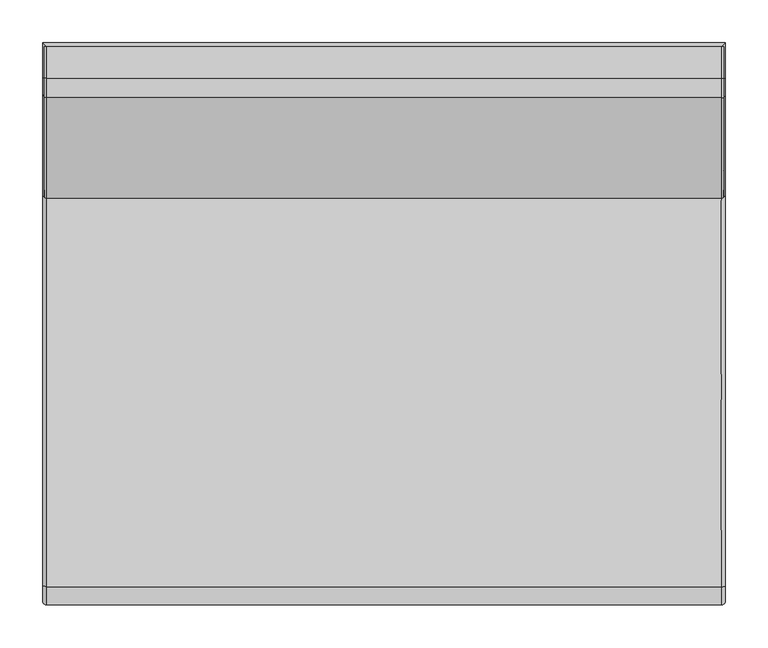
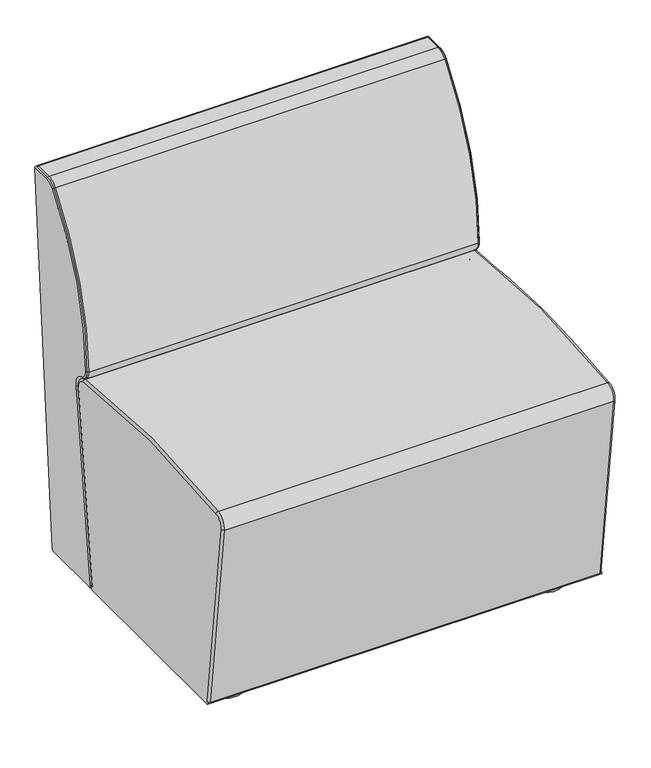
"""IFC4 building model written with IfcOpenShell, lengths in millimetres: furniture geometry."""

from ifc_helpers import new_model, si_unit, point, frame, frame_2d, origin, origin_with_axes, place, context, project, spatial, polyline, circle_curve, ellipse_curve, trimmed, segment, composite_curve, outline, extrude, source, transform, mapped, element, save
from ifc_brep_helpers import plane_surface, cylinder_surface, revolved_surface, advanced_brep


def furniture_58c4aad5(model_context):
    return source(origin(), model_context, "Body", "SolidModel", [
        advanced_brep(
        [(-395.0, 221.524199, 484.6909581), (-395.0, 238.6576062, 460.7221454), (395.0, 238.6576062, 460.7221454), (395.0, 221.524199, 484.6909581), (-398.0, 238.9722245, 461.6713637), (398.0, 238.9722245, 461.6713637), (-398.0, 222.5241535, 484.6814239), (398.0, 222.5241535, 484.6814239), (-398.0, 339.7994218, 808.3627036), (398.0, 339.7994218, 808.3627036), (-395.0, 339.0254308, 808.9959002), (395.0, 339.0254308, 808.9959002), (-398.0, 362.2451605, 819.0000019), (398.0, 362.2451605, 819.0000019), (-398.0, 398.836205, 819.0000019), (398.0, 398.836205, 819.0000019), (-395.0, 398.836205, 820.0000019), (395.0, 398.836205, 820.0000019), (-395.0, 362.2451605, 820.0000019), (395.0, 362.2451605, 820.0000019)],
        [
            (0, 1, circle_curve(frame((-395.0, 246.5230627, 484.4526025), z_axis=(1.0, 0.0, 0.0), x_axis=(0.0, 1.0, 0.0)), 25.0)),
            (1, 2),
            (2, 3, circle_curve(frame((395.0, 246.5230627, 484.4526025), z_axis=(-1.0, 0.0, 0.0), x_axis=(0.0, 1.0, 0.0)), 25.0)),
            (3, 0),
            (1, 4, circle_curve(frame((-395.0, 240.2306975, 465.4682368), z_axis=(0.0, 0.9492182845306808, -0.3146182580725912), x_axis=(0.0, -0.3146182580725912, -0.9492182845306808)), 5.0)),
            (4, 5),
            (5, 2, circle_curve(frame((395.0, 240.2306975, 465.4682368), z_axis=(0.0, 0.9492182845306857, -0.31461825807257626), x_axis=(0.0, -0.31461825807257626, -0.9492182845306857)), 5.0)),
            (4, 6, circle_curve(frame((-398.0, 246.5230627, 484.4526025), z_axis=(-1.0, 0.0, 0.0), x_axis=(0.0, 1.0, 0.0)), 24.0)),
            (6, 7),
            (7, 5, circle_curve(frame((398.0, 246.5230627, 484.4526025), z_axis=(1.0, 0.0, 0.0), x_axis=(0.0, 1.0, 0.0)), 24.0)),
            (6, 8, circle_curve(frame((-398.0, 741.5013672, 479.7331542), z_axis=(-1.0, 0.0, 0.0), x_axis=(0.0, -1.0, 0.0)), 519.0008031)),
            (8, 9),
            (9, 7, circle_curve(frame((398.0, 741.5013672, 479.7331542), z_axis=(1.0, 0.0, 0.0), x_axis=(0.0, -1.0, 0.0)), 519.0008031)),
            (10, 0, circle_curve(frame((-395.0, 741.5013672, 479.7331542), z_axis=(1.0, 0.0, 0.0), x_axis=(0.0, -1.0, 0.0)), 520.0008031)),
            (3, 11, circle_curve(frame((395.0, 741.5013672, 479.7331542), z_axis=(-1.0, 0.0, 0.0), x_axis=(0.0, -1.0, 0.0)), 520.0008031)),
            (11, 10),
            (8, 12, circle_curve(frame((-398.0, 362.2451605, 790.0000019), z_axis=(-1.0, 0.0, 0.0), x_axis=(0.0, -1.0, 0.0)), 29.0)),
            (12, 13),
            (13, 9, circle_curve(frame((398.0, 362.2451605, 790.0000019), z_axis=(1.0, 0.0, 0.0), x_axis=(0.0, -1.0, 0.0)), 29.0)),
            (12, 14),
            (14, 15),
            (15, 13),
            (14, 16, circle_curve(frame((-395.0, 398.836205, 815.0000019), z_axis=(0.0, 1.0, 0.0), x_axis=(0.0, 0.0, 1.0)), 5.0)),
            (16, 17),
            (17, 15, circle_curve(frame((395.0, 398.836205, 815.0000019), z_axis=(0.0, 1.0, 0.0), x_axis=(0.0, 0.0, 1.0)), 5.0)),
            (16, 18),
            (18, 19),
            (19, 17),
            (18, 10, circle_curve(frame((-395.0, 362.2451605, 790.0000019), z_axis=(1.0, 0.0, 0.0), x_axis=(0.0, -1.0, 0.0)), 30.0)),
            (11, 19, circle_curve(frame((395.0, 362.2451605, 790.0000019), z_axis=(-1.0, 0.0, 0.0), x_axis=(0.0, -1.0, 0.0)), 30.0)),
            (0, 6, circle_curve(frame((-395.0, 226.5239717, 484.643287), z_axis=(0.0, -0.009534223590470237, -0.9999545482573331), x_axis=(0.0, -0.9999545482573331, 0.009534223590470237)), 5.0)),
            (10, 8, circle_curve(frame((-395.0, 342.8953858, 805.8299171), z_axis=(0.0, -0.6331966105556623, -0.7739909898576474), x_axis=(0.0, -0.7739909898576474, 0.6331966105556623)), 5.0)),
            (18, 12, circle_curve(frame((-395.0, 362.2451605, 815.0000019), z_axis=(0.0, -1.0, 0.0), x_axis=(0.0, 0.0, 1.0)), 5.0)),
            (19, 13, circle_curve(frame((395.0, 362.2451605, 815.0000019), z_axis=(0.0, 1.0, 0.0), x_axis=(0.0, 0.0, 1.0)), 5.0)),
            (11, 9, circle_curve(frame((395.0, 342.8953858, 805.8299171), z_axis=(0.0, 0.6331966105558378, 0.7739909898575039), x_axis=(0.0, -0.7739909898575039, 0.6331966105558378)), 5.0)),
            (3, 7, circle_curve(frame((395.0, 226.5239717, 484.643287), z_axis=(0.0, 0.009534223590352664, 0.999954548257334), x_axis=(0.0, -0.999954548257334, 0.009534223590352664)), 5.0)),
        ],
        [
            cylinder_surface(frame((-400.0, 246.5230627, 484.4526025), z_axis=(1.0, 0.0, 0.0), x_axis=(0.0, 1.0, 0.0)), 25.0),
            plane_surface(frame((400.0, 238.6576062, 460.7221454), z_axis=(0.0, 0.9492182845306205, -0.31461825807277327), x_axis=(-1.0, 0.0, 0.0))),
            revolved_surface(polyline([(-398.0, 270.52306269999997, 484.4526025), (398.0, 270.52306269999997, 484.4526025)]), (-400.0, 246.5230627, 484.4526025), (-1.0, 0.0, 0.0)),
            revolved_surface(polyline([(-398.0, 222.50056410000002, 479.7331542), (398.0, 222.50056410000002, 479.7331542)]), (-400.0, 741.5013672, 479.7331542), (-1.0, 0.0, 0.0)),
            cylinder_surface(frame((-400.0, 741.5013672, 479.7331542), z_axis=(1.0, 0.0, 0.0), x_axis=(0.0, -1.0, 0.0)), 520.0008031),
            revolved_surface(polyline([(-398.0, 333.2451605, 790.0000019), (398.0, 333.2451605, 790.0000019)]), (-400.0, 362.2451605, 790.0000019), (-1.0, 0.0, 0.0)),
            plane_surface(frame((400.0, 362.2451605, 819.0000019), z_axis=(0.0, 0.0, -1.0), x_axis=(-1.0, 0.0, 0.0))),
            plane_surface(frame((400.0, 398.836205, 819.0000019), z_axis=(0.0, 1.0, 0.0), x_axis=(-1.0, 0.0, 0.0))),
            plane_surface(frame((400.0, 398.836205, 820.0000019), z_axis=(0.0, 0.0, 1.0), x_axis=(-1.0, 0.0, 0.0))),
            cylinder_surface(frame((-400.0, 362.2451605, 790.0000019), z_axis=(1.0, 0.0, 0.0), x_axis=(0.0, -1.0, 0.0)), 30.0),
            revolved_surface(trimmed(ellipse_curve(frame((-395.0, 240.2306975, 465.4682368), z_axis=(0.0, 0.9492182845306808, -0.3146182580725912), x_axis=(0.0, -0.3146182580725912, -0.9492182845306808)), 5.0, 5.0), [point((-395.0, 238.6576062, 460.7221454))], [point((-400.0, 240.2306975, 465.4682368))], True, "CARTESIAN"), (-400.0, 246.5230627, 484.4526025), (-1.0, 0.0, 0.0)),
            revolved_surface(trimmed(ellipse_curve(frame((-395.0, 226.5239717, 484.643287), z_axis=(0.0, -0.009534223590352497, -0.9999545482573341), x_axis=(0.0, -0.9999545482573341, 0.009534223590352497)), 5.0, 5.0), [point((-395.0, 221.524199, 484.6909581))], [point((-400.0, 226.5239717, 484.643287))], True, "CARTESIAN"), (-400.0, 741.5013672, 479.7331542), (-1.0, 0.0, 0.0)),
            revolved_surface(trimmed(ellipse_curve(frame((-395.0, 342.8953858, 805.8299171), z_axis=(0.0, -0.6331966105557443, -0.7739909898575804), x_axis=(0.0, -0.7739909898575804, 0.6331966105557443)), 5.0, 5.0), [point((-395.0, 339.0254308, 808.9959002))], [point((-400.0, 342.8953858, 805.8299171))], True, "CARTESIAN"), (-400.0, 362.2451605, 790.0000019), (-1.0, 0.0, 0.0)),
            cylinder_surface(frame((-395.0, 362.2451605, 815.0000019), z_axis=(0.0, 1.0, 0.0), x_axis=(0.0, 0.0, 1.0)), 5.0),
            cylinder_surface(frame((395.0, 407.2451605, 815.0000019), z_axis=(0.0, -1.0, 0.0), x_axis=(0.0, 0.0, 1.0)), 5.0),
            revolved_surface(trimmed(ellipse_curve(frame((395.0, 362.2451605, 815.0000019), z_axis=(0.0, 1.0, 0.0), x_axis=(0.0, 0.0, 1.0)), 5.0, 5.0), [point((395.0, 362.2451605, 820.0000019))], [point((400.0, 362.2451605, 815.0000019))], True, "CARTESIAN"), (400.0, 362.2451605, 790.0000019), (1.0, 0.0, 0.0)),
            revolved_surface(trimmed(ellipse_curve(frame((395.0, 342.8953858, 805.8299171), z_axis=(0.0, 0.6331966105556678, 0.7739909898576429), x_axis=(0.0, -0.7739909898576429, 0.6331966105556678)), 5.0, 5.0), [point((395.0, 339.0254308, 808.9959002))], [point((400.0, 342.8953858, 805.8299171))], True, "CARTESIAN"), (400.0, 741.5013672, 479.7331542), (1.0, 0.0, 0.0)),
            revolved_surface(trimmed(ellipse_curve(frame((395.0, 226.5239717, 484.643287), z_axis=(0.0, 0.00953422359047229, 0.999954548257333), x_axis=(0.0, -0.999954548257333, 0.00953422359047229)), 5.0, 5.0), [point((395.0, 221.524199, 484.6909581))], [point((400.0, 226.5239717, 484.643287))], True, "CARTESIAN"), (400.0, 246.5230627, 484.4526025), (1.0, 0.0, 0.0)),
        ],
        [
            (0, [[1, 2, 3, 4]]),
            (1, [[5, 6, 7, -2]]),
            (2, [[8, 9, 10, -6]]),
            (3, [[11, 12, 13, -9]]),
            (4, [[14, -4, 15, 16]]),
            (5, [[17, 18, 19, -12]]),
            (6, [[20, 21, 22, -18]]),
            (7, [[23, 24, 25, -21]]),
            (8, [[26, 27, 28, -24]]),
            (9, [[29, -16, 30, -27]]),
            (10, [[31, -8, -5, -1]]),
            (11, [[-31, -14, 32, -11]]),
            (12, [[-32, -29, 33, -17]]),
            (13, [[-33, -26, -23, -20]]),
            (14, [[34, -22, -25, -28]]),
            (15, [[35, -19, -34, -30]]),
            (16, [[36, -13, -35, -15]]),
            (17, [[-36, -3, -7, -10]]),
        ],
    ),
        advanced_brep(
        [(400.0, 342.4334712, 34.6077039), (400.0, 403.8207917, 814.6077065), (400.0, 403.836205, 815.0000019), (400.0, 362.2451605, 815.0000019), (400.0, 342.8953858, 805.8299171), (400.0, 226.5239717, 484.643287), (400.0, 240.2306975, 465.4682368), (400.0, 260.5669798, 433.3229695), (400.0, 211.4874395, 34.9999993), (400.0, 206.5249679, 35.6114525), (400.0, 211.4874395, 29.9999993), (400.0, 337.4488846, 29.9999993), (-400.0, 342.4334712, 34.6077039), (-400.0, 337.4488846, 29.9999993), (-400.0, 211.4874395, 29.9999993), (-400.0, 206.5249679, 35.6114525), (-400.0, 211.4874395, 34.9999993), (-400.0, 260.5669798, 433.3229695), (-400.0, 240.2306975, 465.4682368), (-400.0, 226.5239717, 484.643287), (-400.0, 342.8953858, 805.8299171), (-400.0, 362.2451605, 815.0000019), (-400.0, 403.836205, 815.0000019), (-400.0, 403.8207917, 814.6077065), (-395.0, 398.836205, 820.0000019), (395.0, 398.836205, 820.0000019), (-395.0, 238.6576062, 460.7221454), (-395.0, 255.6045081, 433.9344226), (395.0, 255.6045081, 433.9344226), (395.0, 238.6576062, 460.7221454), (-395.0, 206.5249679, 35.6114525), (395.0, 206.5249679, 35.6114525), (-398.0, 398.836205, 819.0000019), (398.0, 398.836205, 819.0000019), (-398.0, 362.2451605, 819.0000019), (398.0, 362.2451605, 819.0000019), (-398.0, 339.7994218, 808.3627036), (398.0, 339.7994218, 808.3627036), (-398.0, 222.5241535, 484.6814239), (398.0, 222.5241535, 484.6814239), (-398.0, 238.9722245, 461.6713637), (398.0, 238.9722245, 461.6713637)],
        [
            (0, 1),
            (1, 2, circle_curve(frame((400.0, 398.836205, 815.0000019), z_axis=(1.0, 0.0, 0.0), x_axis=(0.0, -1.0, 0.0)), 5.0)),
            (2, 3),
            (3, 4, circle_curve(frame((400.0, 362.2451605, 790.0000019), z_axis=(1.0, 0.0, 0.0), x_axis=(0.0, 0.0, 1.0)), 25.0)),
            (4, 5, circle_curve(frame((400.0, 741.5013672, 479.7331542), z_axis=(1.0, 0.0, 0.0), x_axis=(0.0, -0.7739909898576431, 0.6331966105556676)), 515.0008031)),
            (5, 6, circle_curve(frame((400.0, 246.5230627, 484.4526025), z_axis=(1.0, 0.0, 0.0), x_axis=(0.0, -0.999954548257333, 0.009534223590471985)), 20.0)),
            (6, 7, circle_curve(frame((400.0, 230.7921498, 436.9916883), z_axis=(-1.0, 0.0, 0.0), x_axis=(0.0, 0.3146182580725262, 0.9492182845307023)), 30.0)),
            (7, 8),
            (8, 9),
            (9, 10, circle_curve(frame((400.0, 211.4874395, 34.9999993), z_axis=(1.0, 0.0, 0.0), x_axis=(0.0, -1.0, 0.0)), 5.0)),
            (10, 11),
            (11, 0, circle_curve(frame((400.0, 337.4488846, 34.9999993), z_axis=(1.0, 0.0, 0.0), x_axis=(0.0, -1.0, 0.0)), 5.0)),
            (12, 13, circle_curve(frame((-400.0, 337.4488846, 34.9999993), z_axis=(-1.0, 0.0, 0.0), x_axis=(0.0, -1.0, 0.0)), 5.0)),
            (13, 14),
            (14, 15, circle_curve(frame((-400.0, 211.4874395, 34.9999993), z_axis=(-1.0, 0.0, 0.0), x_axis=(0.0, -1.0, 0.0)), 5.0)),
            (15, 16),
            (16, 17),
            (17, 18, circle_curve(frame((-400.0, 230.7921498, 436.9916883), z_axis=(1.0, 0.0, 0.0), x_axis=(0.0, 0.9924943338041959, -0.12229062665047293)), 30.0)),
            (18, 19, circle_curve(frame((-400.0, 246.5230627, 484.4526025), z_axis=(-1.0, 0.0, 0.0), x_axis=(0.0, -0.31461825807259114, -0.9492182845306808)), 20.0)),
            (19, 20, circle_curve(frame((-400.0, 741.5013672, 479.7331542), z_axis=(-1.0, 0.0, 0.0), x_axis=(0.0, -0.9999545482573341, 0.009534223590352409)), 515.0008031)),
            (20, 21, circle_curve(frame((-400.0, 362.2451605, 790.0000019), z_axis=(-1.0, 0.0, 0.0), x_axis=(0.0, -0.7739909898575803, 0.6331966105557444)), 25.0)),
            (21, 22),
            (22, 23, circle_curve(frame((-400.0, 398.836205, 815.0000019), z_axis=(-1.0, 0.0, 0.0), x_axis=(0.0, -1.0, 0.0)), 5.0)),
            (23, 12),
            (0, 12),
            (23, 1),
            (22, 24, ellipse_curve(frame((-395.0, 398.836205, 815.0000019), z_axis=(0.7071067811865475, 0.7071067811865475, 0.0), x_axis=(0.7071067811865476, -0.7071067811865474, 0.0)), 7.0710678, 5.0)),
            (24, 25),
            (25, 2, ellipse_curve(frame((395.0, 398.836205, 815.0000019), z_axis=(-0.7071067811865475, 0.7071067811865475, 0.0), x_axis=(0.7071067811865476, 0.7071067811865474, 0.0)), 7.0710678, 5.0)),
            (26, 27, circle_curve(frame((-395.0, 230.7921498, 436.9916883), z_axis=(-1.0, 0.0, 0.0), x_axis=(0.0, -1.0, 0.0)), 25.0)),
            (27, 28),
            (28, 29, circle_curve(frame((395.0, 230.7921498, 436.9916883), z_axis=(1.0, 0.0, 0.0), x_axis=(0.0, -1.0, 0.0)), 25.0)),
            (29, 26),
            (27, 30),
            (30, 31),
            (31, 28),
            (9, 31),
            (30, 15),
            (14, 10),
            (13, 11),
            (24, 32, circle_curve(frame((-395.0, 398.836205, 815.0000019), z_axis=(0.0, -1.0, 0.0), x_axis=(0.0, 0.0, 1.0)), 5.0)),
            (32, 33),
            (33, 25, circle_curve(frame((395.0, 398.836205, 815.0000019), z_axis=(0.0, -1.0, 0.0), x_axis=(0.0, 0.0, 1.0)), 5.0)),
            (32, 34),
            (34, 35),
            (35, 33),
            (34, 36, circle_curve(frame((-398.0, 362.2451605, 790.0000019), z_axis=(1.0, 0.0, 0.0), x_axis=(0.0, -1.0, 0.0)), 29.0)),
            (36, 37),
            (37, 35, circle_curve(frame((398.0, 362.2451605, 790.0000019), z_axis=(-1.0, 0.0, 0.0), x_axis=(0.0, -1.0, 0.0)), 29.0)),
            (36, 38, circle_curve(frame((-398.0, 741.5013672, 479.7331542), z_axis=(1.0, 0.0, 0.0), x_axis=(0.0, -1.0, 0.0)), 519.0008031)),
            (38, 39),
            (39, 37, circle_curve(frame((398.0, 741.5013672, 479.7331542), z_axis=(-1.0, 0.0, 0.0), x_axis=(0.0, -1.0, 0.0)), 519.0008031)),
            (38, 40, circle_curve(frame((-398.0, 246.5230627, 484.4526025), z_axis=(1.0, 0.0, 0.0), x_axis=(0.0, 1.0, 0.0)), 24.0)),
            (40, 41),
            (41, 39, circle_curve(frame((398.0, 246.5230627, 484.4526025), z_axis=(-1.0, 0.0, 0.0), x_axis=(0.0, 1.0, 0.0)), 24.0)),
            (40, 26, circle_curve(frame((-395.0, 240.2306975, 465.4682368), z_axis=(0.0, -0.949218284530701, 0.31461825807253), x_axis=(0.0, -0.31461825807253, -0.949218284530701)), 5.0)),
            (29, 41, circle_curve(frame((395.0, 240.2306975, 465.4682368), z_axis=(0.0, -0.9492182845307022, 0.31461825807252664), x_axis=(0.0, -0.31461825807252664, -0.9492182845307022)), 5.0)),
            (30, 16, circle_curve(frame((-395.0, 211.4874395, 34.9999993), z_axis=(0.0, -0.12229062665048503, -0.9924943338041944), x_axis=(0.0, -0.9924943338041944, 0.12229062665048503)), 5.0)),
            (27, 17, circle_curve(frame((-395.0, 260.5669798, 433.3229695), z_axis=(0.0, -0.12229062665048503, -0.9924943338041944), x_axis=(0.0, -0.9924943338041944, 0.12229062665048503)), 5.0)),
            (40, 18, circle_curve(frame((-395.0, 240.2306975, 465.4682368), z_axis=(0.0, 0.949218284530701, -0.31461825807253), x_axis=(0.0, -0.31461825807253, -0.949218284530701)), 5.0)),
            (38, 19, circle_curve(frame((-395.0, 226.5239717, 484.643287), z_axis=(0.0, -0.009534223590481783, -0.999954548257333), x_axis=(0.0, -0.999954548257333, 0.009534223590481783)), 5.0)),
            (36, 20, circle_curve(frame((-395.0, 342.8953858, 805.8299171), z_axis=(0.0, -0.6331966105556722, -0.7739909898576393), x_axis=(0.0, -0.7739909898576393, 0.6331966105556722)), 5.0)),
            (34, 21, circle_curve(frame((-395.0, 362.2451605, 815.0000019), z_axis=(0.0, -1.0, 0.0), x_axis=(0.0, 0.0, 1.0)), 5.0)),
            (35, 3, circle_curve(frame((395.0, 362.2451605, 815.0000019), z_axis=(0.0, 1.0, 0.0), x_axis=(0.0, 0.0, 1.0)), 5.0)),
            (37, 4, circle_curve(frame((395.0, 342.8953858, 805.8299171), z_axis=(0.0, 0.6331966105559279, 0.7739909898574301), x_axis=(0.0, -0.7739909898574301, 0.6331966105559279)), 5.0)),
            (39, 5, circle_curve(frame((395.0, 226.5239717, 484.643287), z_axis=(0.0, 0.009534223590352942, 0.9999545482573342), x_axis=(0.0, -0.9999545482573342, 0.009534223590352942)), 5.0)),
            (41, 6, circle_curve(frame((395.0, 240.2306975, 465.4682368), z_axis=(0.0, -0.949218284530679, 0.3146182580725963), x_axis=(0.0, -0.3146182580725963, -0.949218284530679)), 5.0)),
            (28, 7, circle_curve(frame((395.0, 260.5669798, 433.3229695), z_axis=(0.0, 0.12229062665048127, 0.9924943338041949), x_axis=(0.0, -0.9924943338041949, 0.12229062665048127)), 5.0)),
            (8, 31, circle_curve(frame((395.0, 211.4874395, 34.9999993), z_axis=(0.0, -0.12229062665048539, -0.9924943338041944), x_axis=(0.0, -0.9924943338041944, 0.12229062665048539)), 5.0)),
        ],
        [
            plane_surface(frame((400.0, 403.820794, 814.6077357), z_axis=(1.0, 0.0, 0.0), x_axis=(0.0, 0.07845908166168687, 0.9969173348401585))),
            plane_surface(frame((-400.0, 403.820794, 814.6077357), z_axis=(-1.0, 0.0, 0.0), x_axis=(0.0, -0.07845908166168687, -0.9969173348401585))),
            plane_surface(frame((400.0, 342.4334712, 34.6077039), z_axis=(0.0, 0.9969173348401585, -0.07845908166168687), x_axis=(-1.0, 0.0, 0.0))),
            cylinder_surface(frame((-400.0, 398.836205, 815.0000019), z_axis=(1.0, 0.0, 0.0), x_axis=(0.0, -1.0, 0.0)), 5.0),
            revolved_surface(polyline([(-395.0, 205.7921498, 436.9916883), (395.0, 205.7921498, 436.9916883)]), (-400.0, 230.7921498, 436.9916883), (-1.0, 0.0, 0.0)),
            plane_surface(frame((400.0, 255.6045081, 433.9344226), z_axis=(0.0, -0.9924943338041945, 0.12229062665048508), x_axis=(-1.0, 0.0, 0.0))),
            cylinder_surface(frame((-400.0, 211.4874395, 34.9999993), z_axis=(1.0, 0.0, 0.0), x_axis=(0.0, -1.0, 0.0)), 5.0),
            plane_surface(frame((400.0, 211.4874395, 29.9999993), z_axis=(0.0, 0.0, -1.0), x_axis=(-1.0, 0.0, 0.0))),
            cylinder_surface(frame((-400.0, 337.4488846, 34.9999993), z_axis=(1.0, 0.0, 0.0), x_axis=(0.0, -1.0, 0.0)), 5.0),
            plane_surface(frame((400.0, 398.836205, 820.0000019), z_axis=(0.0, -1.0, 0.0), x_axis=(-1.0, 0.0, 0.0))),
            plane_surface(frame((400.0, 398.836205, 819.0000019), z_axis=(0.0, 0.0, 1.0), x_axis=(-1.0, 0.0, 0.0))),
            cylinder_surface(frame((-400.0, 362.2451605, 790.0000019), z_axis=(1.0, 0.0, 0.0), x_axis=(0.0, -1.0, 0.0)), 29.0),
            cylinder_surface(frame((-400.0, 741.5013672, 479.7331542), z_axis=(1.0, 0.0, 0.0), x_axis=(0.0, -1.0, 0.0)), 519.0008031),
            cylinder_surface(frame((-400.0, 246.5230627, 484.4526025), z_axis=(1.0, 0.0, 0.0), x_axis=(0.0, 1.0, 0.0)), 24.0),
            plane_surface(frame((400.0, 238.9722245, 461.6713637), z_axis=(0.0, -0.9492182845306811, 0.3146182580725903), x_axis=(-1.0, 0.0, 0.0))),
            plane_surface(frame((-400.0, 206.5249679, 35.6114525), z_axis=(0.0, 0.12229062665048503, 0.9924943338041944), x_axis=(-1.0, 0.0, 0.0))),
            cylinder_surface(frame((-395.0, 211.4874395, 34.9999993), z_axis=(0.0, 0.12229062665048503, 0.9924943338041944), x_axis=(0.0, -0.9924943338041944, 0.12229062665048503)), 5.0),
            revolved_surface(trimmed(ellipse_curve(frame((-395.0, 260.5669798, 433.3229695), z_axis=(0.0, -0.12229062665047293, -0.9924943338041959), x_axis=(0.0, -0.9924943338041959, 0.12229062665047293)), 5.0, 5.0), [point((-395.0, 255.6045081, 433.9344226))], [point((-400.0, 260.5669798, 433.3229695))], True, "CARTESIAN"), (-400.0, 230.7921498, 436.9916883), (1.0, 0.0, 0.0)),
            revolved_surface(trimmed(ellipse_curve(frame((-395.0, 240.2306975, 465.4682368), z_axis=(0.0, 0.9492182845306808, -0.3146182580725912), x_axis=(0.0, -0.3146182580725912, -0.9492182845306808)), 5.0, 5.0), [point((-395.0, 238.6576062, 460.7221454))], [point((-400.0, 240.2306975, 465.4682368))], True, "CARTESIAN"), (-400.0, 246.5230627, 484.4526025), (-1.0, 0.0, 0.0)),
            revolved_surface(trimmed(ellipse_curve(frame((-395.0, 226.5239717, 484.643287), z_axis=(0.0, -0.009534223590352497, -0.9999545482573341), x_axis=(0.0, -0.9999545482573341, 0.009534223590352497)), 5.0, 5.0), [point((-395.0, 221.524199, 484.6909581))], [point((-400.0, 226.5239717, 484.643287))], True, "CARTESIAN"), (-400.0, 741.5013672, 479.7331542), (-1.0, 0.0, 0.0)),
            revolved_surface(trimmed(ellipse_curve(frame((-395.0, 342.8953858, 805.8299171), z_axis=(0.0, -0.6331966105557443, -0.7739909898575804), x_axis=(0.0, -0.7739909898575804, 0.6331966105557443)), 5.0, 5.0), [point((-395.0, 339.0254308, 808.9959002))], [point((-400.0, 342.8953858, 805.8299171))], True, "CARTESIAN"), (-400.0, 362.2451605, 790.0000019), (-1.0, 0.0, 0.0)),
            cylinder_surface(frame((-395.0, 362.2451605, 815.0000019), z_axis=(0.0, 1.0, 0.0), x_axis=(0.0, 0.0, 1.0)), 5.0),
            cylinder_surface(frame((395.0, 407.2451605, 815.0000019), z_axis=(0.0, -1.0, 0.0), x_axis=(0.0, 0.0, 1.0)), 5.0),
            revolved_surface(trimmed(ellipse_curve(frame((395.0, 362.2451605, 815.0000019), z_axis=(0.0, 1.0, 0.0), x_axis=(0.0, 0.0, 1.0)), 5.0, 5.0), [point((395.0, 362.2451605, 820.0000019))], [point((400.0, 362.2451605, 815.0000019))], True, "CARTESIAN"), (400.0, 362.2451605, 790.0000019), (1.0, 0.0, 0.0)),
            revolved_surface(trimmed(ellipse_curve(frame((395.0, 342.8953858, 805.8299171), z_axis=(0.0, 0.6331966105556678, 0.7739909898576429), x_axis=(0.0, -0.7739909898576429, 0.6331966105556678)), 5.0, 5.0), [point((395.0, 339.0254308, 808.9959002))], [point((400.0, 342.8953858, 805.8299171))], True, "CARTESIAN"), (400.0, 741.5013672, 479.7331542), (1.0, 0.0, 0.0)),
            revolved_surface(trimmed(ellipse_curve(frame((395.0, 226.5239717, 484.643287), z_axis=(0.0, 0.00953422359047229, 0.999954548257333), x_axis=(0.0, -0.999954548257333, 0.00953422359047229)), 5.0, 5.0), [point((395.0, 221.524199, 484.6909581))], [point((400.0, 226.5239717, 484.643287))], True, "CARTESIAN"), (400.0, 246.5230627, 484.4526025), (1.0, 0.0, 0.0)),
            revolved_surface(trimmed(ellipse_curve(frame((395.0, 240.2306975, 465.4682368), z_axis=(0.0, -0.9492182845307022, 0.31461825807252664), x_axis=(0.0, -0.31461825807252664, -0.9492182845307022)), 5.0, 5.0), [point((395.0, 238.6576062, 460.7221454))], [point((400.0, 240.2306975, 465.4682368))], True, "CARTESIAN"), (400.0, 230.7921498, 436.9916883), (-1.0, 0.0, 0.0)),
            plane_surface(frame((400.0, 206.5249679, 35.6114525), z_axis=(0.0, 0.12229062665048503, 0.9924943338041944), x_axis=(1.0, 0.0, 0.0))),
            cylinder_surface(frame((395.0, 260.5669798, 433.3229695), z_axis=(0.0, -0.12229062665048539, -0.9924943338041944), x_axis=(0.0, -0.9924943338041944, 0.12229062665048539)), 5.0),
        ],
        [
            (0, [[1, 2, 3, 4, 5, 6, 7, 8, 9, 10, 11, 12]]),
            (1, [[13, 14, 15, 16, 17, 18, 19, 20, 21, 22, 23, 24]]),
            (2, [[-1, 25, -24, 26]]),
            (3, [[-26, -23, 27, 28, 29, -2]]),
            (4, [[30, 31, 32, 33]]),
            (5, [[34, 35, 36, -31]]),
            (6, [[-10, 37, -35, 38, -15, 39]]),
            (7, [[-11, -39, -14, 40]]),
            (8, [[-12, -40, -13, -25]]),
            (9, [[41, 42, 43, -28]]),
            (10, [[44, 45, 46, -42]]),
            (11, [[47, 48, 49, -45]]),
            (12, [[50, 51, 52, -48]]),
            (13, [[53, 54, 55, -51]]),
            (14, [[56, -33, 57, -54]]),
            (15, [[58, -16, -38]]),
            (16, [[-58, -34, 59, -17]]),
            (17, [[-59, -30, -56, 60, -18]]),
            (18, [[61, -19, -60, -53]]),
            (19, [[62, -20, -61, -50]]),
            (20, [[63, -21, -62, -47]]),
            (21, [[-63, -44, -41, -27, -22]]),
            (22, [[64, -3, -29, -43, -46]]),
            (23, [[-64, -49, 65, -4]]),
            (24, [[-65, -52, 66, -5]]),
            (25, [[-66, -55, 67, -6]]),
            (26, [[68, -7, -67, -57, -32]]),
            (27, [[69, -37, -9]]),
            (28, [[-68, -36, -69, -8]]),
        ],
    ),
        advanced_brep(
        [(-400.0, 206.3750828, 34.3906528), (-400.0, 201.412352, 29.9999993), (-400.0, -200.5276094, 29.9999993), (-400.0, -206.4828863, 35.2687832), (-400.0, -201.5201556, 35.87813), (-400.0, -250.4781915, 434.6093051), (-400.0, -233.3810316, 456.8562047), (-400.0, 233.3810317, 456.8562047), (-400.0, 250.4781882, 434.6093065), (-400.0, 201.412352, 34.9999993), (400.0, -206.4828863, 35.2687832), (400.0, -200.5276094, 29.9999993), (400.0, 201.412352, 29.9999993), (400.0, 206.3750828, 34.3906528), (400.0, 201.412352, 34.9999993), (400.0, 250.4781882, 434.6093065), (400.0, 233.3810317, 456.8562047), (400.0, -233.3810318, 456.8562058), (400.0, -250.4781881, 434.6093055), (400.0, -201.5201556, 35.87813), (-395.0, 206.3750828, 34.3906528), (-395.0, 255.440919, 433.99996), (395.0, 255.440919, 433.99996), (395.0, 206.3750828, 34.3906528), (-395.0, 234.0694734, 461.8085827), (395.0, 234.0694734, 461.8085827), (-395.0, -234.0694734, 461.8085838), (395.0, -234.0694734, 461.8085838), (-395.0, -255.4409188, 433.9999588), (395.0, -255.4409188, 433.9999588), (-395.0, -206.4828863, 35.2687832), (395.0, -206.4828863, 35.2687832)],
        [
            (0, 1, circle_curve(frame((-400.0, 201.412352, 34.9999993), z_axis=(-1.0, 0.0, 0.0), x_axis=(0.0, -1.0, 0.0)), 5.0)),
            (1, 2),
            (2, 3, circle_curve(frame((-400.0, -200.5276094, 35.9999993), z_axis=(-1.0, 0.0, 0.0), x_axis=(0.0, -1.0, 0.0)), 6.0)),
            (3, 4),
            (4, 5),
            (5, 6, circle_curve(frame((-400.0, -230.6272651, 437.0466926), z_axis=(-1.0, 0.0, 0.0), x_axis=(0.0, -0.992546150542699, -0.12186935235271382)), 20.0)),
            (6, 7, circle_curve(frame((-400.0, -4.1e-06, -1221.9949917), z_axis=(-1.0, 0.0, 0.0), x_axis=(0.0, -0.13768832817489843, 0.9904756050930288)), 1694.9949992)),
            (7, 8, circle_curve(frame((-400.0, 230.6272651, 437.0466926), z_axis=(-1.0, 0.0, 0.0), x_axis=(0.0, 0.13768833294240157, 0.990475604430287)), 20.0)),
            (8, 9),
            (9, 0),
            (10, 11, circle_curve(frame((400.0, -200.5276094, 35.9999993), z_axis=(1.0, 0.0, 0.0), x_axis=(0.0, -1.0, 0.0)), 6.0)),
            (11, 12),
            (12, 13, circle_curve(frame((400.0, 201.412352, 34.9999993), z_axis=(1.0, 0.0, 0.0), x_axis=(0.0, -1.0, 0.0)), 5.0)),
            (13, 14),
            (14, 15),
            (15, 16, circle_curve(frame((400.0, 230.6272651, 437.0466926), z_axis=(1.0, 0.0, 0.0), x_axis=(0.0, 0.9925461567869625, -0.1218693014972616)), 20.0)),
            (16, 17, circle_curve(frame((400.0, -4.1e-06, -1221.9949917), z_axis=(1.0, 0.0, 0.0), x_axis=(0.0, 0.13768833294193644, 0.9904756044303517)), 1694.9949992)),
            (17, 18, circle_curve(frame((400.0, -230.6272651, 437.0466926), z_axis=(1.0, 0.0, 0.0), x_axis=(0.0, -0.1376883281748983, 0.9904756050930288)), 20.0)),
            (18, 19),
            (19, 10),
            (20, 21),
            (21, 22),
            (22, 23),
            (23, 20),
            (21, 24, circle_curve(frame((-395.0, 230.6272651, 437.0466926), z_axis=(1.0, 0.0, 0.0), x_axis=(0.0, -1.0, 0.0)), 25.0)),
            (24, 25),
            (25, 22, circle_curve(frame((395.0, 230.6272651, 437.0466926), z_axis=(-1.0, 0.0, 0.0), x_axis=(0.0, -1.0, 0.0)), 25.0)),
            (24, 26, circle_curve(frame((-395.0, -4.1e-06, -1221.9949917), z_axis=(1.0, 0.0, 0.0), x_axis=(0.0, -1.0, 0.0)), 1699.9949992)),
            (26, 27),
            (27, 25, circle_curve(frame((395.0, -4.1e-06, -1221.9949917), z_axis=(-1.0, 0.0, 0.0), x_axis=(0.0, -1.0, 0.0)), 1699.9949992)),
            (26, 28, circle_curve(frame((-395.0, -230.6272651, 437.0466926), z_axis=(1.0, 0.0, 0.0), x_axis=(0.0, 1.0, 0.0)), 25.0)),
            (28, 29),
            (29, 27, circle_curve(frame((395.0, -230.6272651, 437.0466926), z_axis=(-1.0, 0.0, 0.0), x_axis=(0.0, 1.0, 0.0)), 25.0)),
            (28, 30),
            (30, 31),
            (31, 29),
            (2, 11),
            (10, 31),
            (30, 3),
            (1, 12),
            (0, 20),
            (23, 13),
            (28, 5, circle_curve(frame((-395.0, -250.4781915, 434.6093051), z_axis=(0.0, 0.12186935235272628, -0.9925461505426976), x_axis=(0.0, -0.9925461505426976, -0.12186935235272628)), 5.0)),
            (4, 30, circle_curve(frame((-395.0, -201.5201556, 35.87813), z_axis=(0.0, -0.12186935235272628, 0.9925461505426976), x_axis=(0.0, -0.9925461505426976, -0.12186935235272628)), 5.0)),
            (26, 6, circle_curve(frame((-395.0, -233.3810316, 456.8562047), z_axis=(0.0, -0.9904756050930286, -0.13768832817489973), x_axis=(0.0, -0.13768832817489973, 0.9904756050930286)), 5.0)),
            (24, 7, circle_curve(frame((-395.0, 233.3810317, 456.8562047), z_axis=(0.0, -0.9904756044303525, 0.13768833294193053), x_axis=(0.0, 0.13768833294193053, 0.9904756044303525)), 5.0)),
            (21, 8, circle_curve(frame((-395.0, 250.4781882, 434.6093065), z_axis=(0.0, 0.12186930149726162, 0.9925461567869626), x_axis=(0.0, 0.9925461567869626, -0.12186930149726162)), 5.0)),
            (20, 9, circle_curve(frame((-395.0, 201.412352, 34.9999993), z_axis=(0.0, 0.1218693014972678, 0.9925461567869619), x_axis=(0.0, 0.9925461567869619, -0.1218693014972678)), 5.0)),
            (23, 14, circle_curve(frame((395.0, 201.412352, 34.9999993), z_axis=(0.0, -0.1218693014972677, -0.9925461567869618), x_axis=(1.0, 0.0, 0.0)), 5.0)),
            (22, 15, circle_curve(frame((395.0, 250.4781882, 434.6093065), z_axis=(0.0, -0.1218693014972677, -0.9925461567869618), x_axis=(1.0, 0.0, 0.0)), 5.0)),
            (25, 16, circle_curve(frame((395.0, 233.3810317, 456.8562047), z_axis=(0.0, 0.9904756044302309, -0.13768833294280558), x_axis=(1.0, 0.0, 0.0)), 5.0)),
            (27, 17, circle_curve(frame((395.0, -233.3810318, 456.8562058), z_axis=(0.0, 0.9904756050930288, 0.13768832817489854), x_axis=(1.0, 0.0, 0.0)), 5.0)),
            (29, 18, circle_curve(frame((395.0, -250.4781881, 434.6093055), z_axis=(0.0, -0.12186935235272664, 0.9925461505426973), x_axis=(1.0, 0.0, 0.0)), 5.0)),
            (19, 31, circle_curve(frame((395.0, -201.5201556, 35.87813), z_axis=(0.0, 0.12186935235272629, -0.9925461505426976), x_axis=(1.0, 0.0, 0.0)), 5.0)),
        ],
        [
            plane_surface(frame((-400.0, 255.440925, 434.0000094), z_axis=(-1.0, 0.0, 0.0), x_axis=(0.0, -0.12186930149726774, -0.9925461567869618))),
            plane_surface(frame((400.0, 255.440925, 434.0000094), z_axis=(1.0, 0.0, 0.0), x_axis=(0.0, 0.12186930149726774, 0.9925461567869618))),
            plane_surface(frame((400.0, 206.3750828, 34.3906528), z_axis=(0.0, 0.9925461567869618, -0.12186930149726774), x_axis=(-1.0, 0.0, 0.0))),
            cylinder_surface(frame((-400.0, 230.6272651, 437.0466926), z_axis=(1.0, 0.0, 0.0), x_axis=(0.0, -1.0, 0.0)), 25.0),
            cylinder_surface(frame((-400.0, -4.1e-06, -1221.9949917), z_axis=(1.0, 0.0, 0.0), x_axis=(0.0, -1.0, 0.0)), 1699.9949992),
            cylinder_surface(frame((-400.0, -230.6272651, 437.0466926), z_axis=(1.0, 0.0, 0.0), x_axis=(0.0, 1.0, 0.0)), 25.0),
            plane_surface(frame((400.0, -255.4409223, 433.9999583), z_axis=(0.0, -0.9925461505426975, -0.12186935235272627), x_axis=(-1.0, 0.0, 0.0))),
            cylinder_surface(frame((-400.0, -200.5276094, 35.9999993), z_axis=(1.0, 0.0, 0.0), x_axis=(0.0, -1.0, 0.0)), 6.0),
            plane_surface(frame((400.0, -200.5276094, 29.9999993), z_axis=(0.0, 0.0, -1.0), x_axis=(-1.0, 0.0, 0.0))),
            cylinder_surface(frame((-400.0, 201.412352, 34.9999993), z_axis=(1.0, 0.0, 0.0), x_axis=(0.0, -1.0, 0.0)), 5.0),
            cylinder_surface(frame((-395.0, -201.5201556, 35.87813), z_axis=(0.0, -0.12186935235272628, 0.9925461505426976), x_axis=(0.0, -0.9925461505426976, -0.12186935235272628)), 5.0),
            revolved_surface(trimmed(ellipse_curve(frame((-395.0, -250.4781881, 434.6093055), z_axis=(0.0, 0.1218693523527139, -0.992546150542699), x_axis=(0.0, -0.992546150542699, -0.1218693523527139)), 5.0, 5.0), [point((-395.0, -255.4409188, 433.9999588))], [point((-400.0, -250.4781881, 434.6093055))], True, "CARTESIAN"), (-400.0, -230.6272651, 437.0466926), (-1.0, 0.0, 0.0)),
            revolved_surface(trimmed(ellipse_curve(frame((-395.0, -233.3810318, 456.8562058), z_axis=(0.0, -0.9904756050930288, -0.13768832817489846), x_axis=(0.0, -0.13768832817489846, 0.9904756050930288)), 5.0, 5.0), [point((-395.0, -234.0694734, 461.8085838))], [point((-400.0, -233.3810318, 456.8562058))], True, "CARTESIAN"), (-400.0, -4.1e-06, -1221.9949917), (-1.0, 0.0, 0.0)),
            revolved_surface(trimmed(ellipse_curve(frame((-395.0, 233.3810317, 456.8562047), z_axis=(0.0, -0.990475604430287, 0.1376883329424016), x_axis=(0.0, 0.1376883329424016, 0.990475604430287)), 5.0, 5.0), [point((-395.0, 234.0694734, 461.8085827))], [point((-400.0, 233.3810317, 456.8562047))], True, "CARTESIAN"), (-400.0, 230.6272651, 437.0466926), (-1.0, 0.0, 0.0)),
            cylinder_surface(frame((-395.0, 250.4781882, 434.6093065), z_axis=(0.0, -0.1218693014972678, -0.9925461567869619), x_axis=(0.0, 0.9925461567869619, -0.1218693014972678)), 5.0),
            plane_surface(frame((-400.0, 206.3750828, 34.3906528), z_axis=(0.0, 0.12186930149726774, 0.9925461567869618), x_axis=(-1.0, 0.0, 0.0))),
            plane_surface(frame((-400.0, -206.4828863, 35.2687832), z_axis=(0.0, -0.12186935235272622, 0.9925461505426975), x_axis=(-1.0, 0.0, 0.0))),
            plane_surface(frame((400.0, 206.3750828, 34.3906528), z_axis=(0.0, 0.12186930149726775, 0.9925461567869618), x_axis=(1.0, 0.0, 0.0))),
            cylinder_surface(frame((395.0, 201.412352, 34.9999993), z_axis=(0.0, 0.1218693014972677, 0.9925461567869618), x_axis=(1.0, 0.0, 0.0)), 5.0),
            revolved_surface(trimmed(ellipse_curve(frame((395.0, 250.4781882, 434.6093065), z_axis=(0.0, -0.12186930149726156, -0.9925461567869625), x_axis=(1.0, 0.0, 0.0)), 5.0, 5.0), [point((395.0, 255.440919, 433.99996))], [point((400.0, 250.4781882, 434.6093065))], True, "CARTESIAN"), (400.0, 230.6272651, 437.0466926), (1.0, 0.0, 0.0)),
            revolved_surface(trimmed(ellipse_curve(frame((395.0, 233.3810317, 456.8562047), z_axis=(0.0, 0.9904756044303517, -0.13768833294193636), x_axis=(1.0, 0.0, 0.0)), 5.0, 5.0), [point((395.0, 234.0694734, 461.8085827))], [point((400.0, 233.3810317, 456.8562047))], True, "CARTESIAN"), (400.0, -4.1e-06, -1221.9949917), (1.0, 0.0, 0.0)),
            revolved_surface(trimmed(ellipse_curve(frame((395.0, -233.3810316, 456.8562047), z_axis=(0.0, 0.9904756050930288, 0.13768832817489834), x_axis=(1.0, 0.0, 0.0)), 5.0, 5.0), [point((395.0, -234.0694733, 461.8085827))], [point((400.0, -233.3810316, 456.8562047))], True, "CARTESIAN"), (400.0, -230.6272651, 437.0466926), (1.0, 0.0, 0.0)),
            plane_surface(frame((400.0, -206.4828863, 35.2687832), z_axis=(0.0, -0.1218693523527262, 0.9925461505426975), x_axis=(1.0, 0.0, 0.0))),
            cylinder_surface(frame((395.0, -250.4781915, 434.6093051), z_axis=(0.0, 0.12186935235272629, -0.9925461505426976), x_axis=(1.0, 0.0, 0.0)), 5.0),
        ],
        [
            (0, [[1, 2, 3, 4, 5, 6, 7, 8, 9, 10]]),
            (1, [[11, 12, 13, 14, 15, 16, 17, 18, 19, 20]]),
            (2, [[21, 22, 23, 24]]),
            (3, [[25, 26, 27, -22]]),
            (4, [[28, 29, 30, -26]]),
            (5, [[31, 32, 33, -29]]),
            (6, [[34, 35, 36, -32]]),
            (7, [[-3, 37, -11, 38, -35, 39]]),
            (8, [[-2, 40, -12, -37]]),
            (9, [[-1, 41, -24, 42, -13, -40]]),
            (10, [[43, -5, 44, -34]]),
            (11, [[-43, -31, 45, -6]]),
            (12, [[-45, -28, 46, -7]]),
            (13, [[-46, -25, 47, -8]]),
            (14, [[-47, -21, 48, -9]]),
            (15, [[-48, -41, -10]]),
            (16, [[-44, -4, -39]]),
            (17, [[49, -14, -42]]),
            (18, [[-49, -23, 50, -15]]),
            (19, [[-50, -27, 51, -16]]),
            (20, [[-51, -30, 52, -17]]),
            (21, [[-52, -33, 53, -18]]),
            (22, [[54, -38, -20]]),
            (23, [[-53, -36, -54, -19]]),
        ],
    ),
        extrude(outline(composite_curve([segment(trimmed(circle_curve(frame_2d((-324.9999949, 272.0708297)), 35.0), [point((-359.9999949, 272.0708297))], [point((-289.9999949, 272.0708297))], False, "CARTESIAN"), True, "CONTINUOUS"), segment(trimmed(circle_curve(frame_2d((-324.9999949, 272.0708297)), 35.0), [point((-289.9999949, 272.0708297))], [point((-359.9999949, 272.0708297))], False, "CARTESIAN"), True, "CONTINUOUS")], self_intersect=False)), origin_with_axes(), (0.0, 0.0, 1.0), 29.9999993),
        extrude(outline(composite_curve([segment(trimmed(circle_curve(frame_2d((324.9999949, 272.0708297)), 35.0), [point((359.9999949, 272.0708297))], [point((289.9999949, 272.0708297))], False, "CARTESIAN"), True, "CONTINUOUS"), segment(trimmed(circle_curve(frame_2d((324.9999949, 272.0708297)), 35.0), [point((289.9999949, 272.0708297))], [point((359.9999949, 272.0708297))], False, "CARTESIAN"), True, "CONTINUOUS")], self_intersect=False)), origin_with_axes(), (0.0, 0.0, 1.0), 29.9999993),
        extrude(outline(composite_curve([segment(trimmed(circle_curve(frame_2d((-324.9999949, -135.8359372)), 35.0), [point((-359.9999949, -135.8359372))], [point((-289.9999949, -135.8359372))], False, "CARTESIAN"), True, "CONTINUOUS"), segment(trimmed(circle_curve(frame_2d((-324.9999949, -135.8359372)), 35.0), [point((-289.9999949, -135.8359372))], [point((-359.9999949, -135.8359372))], False, "CARTESIAN"), True, "CONTINUOUS")], self_intersect=False)), origin_with_axes(), (0.0, 0.0, 1.0), 29.9999993),
        extrude(outline(composite_curve([segment(trimmed(circle_curve(frame_2d((324.9999949, -135.8359372)), 35.0), [point((359.9999949, -135.8359372))], [point((289.9999949, -135.8359372))], False, "CARTESIAN"), True, "CONTINUOUS"), segment(trimmed(circle_curve(frame_2d((324.9999949, -135.8359372)), 35.0), [point((289.9999949, -135.8359372))], [point((359.9999949, -135.8359372))], False, "CARTESIAN"), True, "CONTINUOUS")], self_intersect=False)), origin_with_axes(), (0.0, 0.0, 1.0), 29.9999993),
    ])


if __name__ == "__main__":
    model = new_model("IFC4")
    model_context = context("Model", 3, world=origin())
    ifc_project = project(units=[si_unit("LENGTHUNIT", "METRE", prefix="MILLI")], contexts=[model_context])
    site = spatial("IfcSite", under=ifc_project)
    building = spatial("IfcBuilding", under=site)
    placement = place(None, origin())
    furniture_shape = furniture_58c4aad5(model_context)
    element("IfcFurniture", 1, at=placement, inside=building, context=model_context, shape_type="MappedRepresentation", body=[
        mapped(furniture_shape, transform((0.0, 0.0, 0.0), x_axis=(1.0, 0.0, 0.0), y_axis=(0.0, 1.0, 0.0), z_axis=(0.0, 0.0, 1.0))),
    ])
    save(model, "model.ifc")
